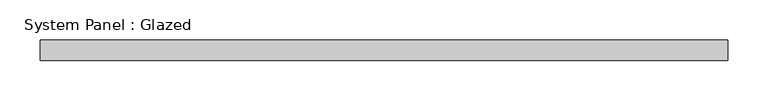
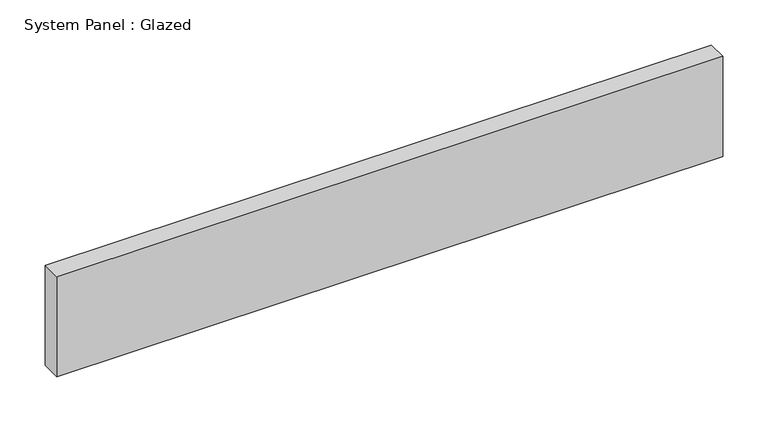
"""IFC4 building model written with IfcOpenShell, lengths in millimetres: plate geometry, System Panel : Glazed."""

from ifc_helpers import new_model, si_unit, origin, origin_with_axes, place, context, project, spatial, polyline, outline, extrude, source, transform, mapped, element, save


def system_panel_glazed_239f62d8(model_context):
    return source(origin(), model_context, "Body", "SweptSolid", [
        extrude(outline(polyline([(425.0, 24.5), (-425.0, 24.5), (-425.0, 49.5), (425.0, 49.5), (425.0, 24.5)])), origin_with_axes(), (0.0, 0.0, 1.0), 135.0),
    ])


if __name__ == "__main__":
    model = new_model("IFC4")
    model_context = context("Model", 3, world=origin())
    ifc_project = project(units=[si_unit("LENGTHUNIT", "METRE", prefix="MILLI")], contexts=[model_context])
    site = spatial("IfcSite", under=ifc_project)
    building = spatial("IfcBuilding", under=site)
    placement = place(None, origin())
    system_panel_glazed_shape = system_panel_glazed_239f62d8(model_context)
    element("IfcPlate", 1, ObjectType="System Panel : Glazed", at=placement, inside=building, context=model_context, shape_type="MappedRepresentation", body=[
        mapped(system_panel_glazed_shape, transform((0.0, 0.0, 0.0), x_axis=(1.0, 0.0, 0.0), y_axis=(0.0, 1.0, 0.0), z_axis=(0.0, 0.0, 1.0))),
    ])
    save(model, "model.ifc")
